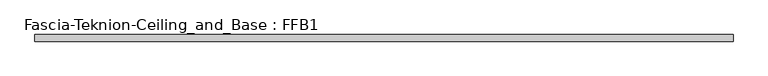
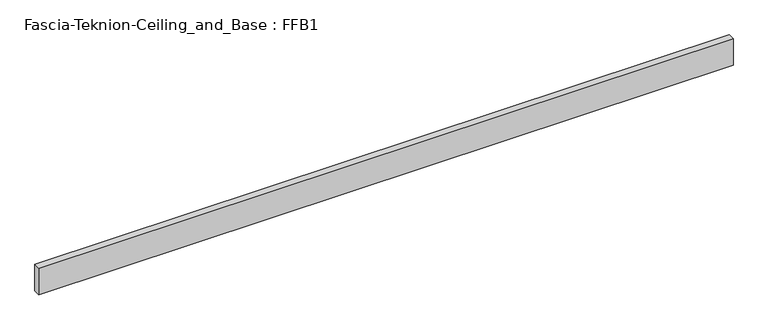
"""IFC4 building model written with IfcOpenShell, lengths in millimetres: proxy geometry, Fascia-Teknion-Ceiling_and_Base : FFB1."""

from ifc_helpers import new_model, si_unit, origin, origin_with_axes, place, context, project, spatial, polyline, outline, extrude, source, transform, mapped, element, save


def fascia_teknion_ceiling_and_base_ffb1_01755f40(model_context):
    return source(origin(), model_context, "Body", "SweptSolid", [
        extrude(outline(polyline([(1005.8356344, 0.0), (1005.8356344, -19.05), (-1005.8356344, -19.05), (-1005.8356344, 0.0), (1005.8356344, 0.0)])), origin_with_axes(), (0.0, 0.0, 1.0), 81.28),
    ])


if __name__ == "__main__":
    model = new_model("IFC4")
    model_context = context("Model", 3, world=origin())
    ifc_project = project(units=[si_unit("LENGTHUNIT", "METRE", prefix="MILLI")], contexts=[model_context])
    site = spatial("IfcSite", under=ifc_project)
    building = spatial("IfcBuilding", under=site)
    placement = place(None, origin())
    fascia_teknion_ceiling_and_base_ffb1_shape = fascia_teknion_ceiling_and_base_ffb1_01755f40(model_context)
    element("IfcBuildingElementProxy", 1, Name="Fascia-Teknion-Ceiling_and_Base : FFB1", ObjectType="Fascia-Teknion-Ceiling_and_Base : FFB1", at=placement, inside=building, context=model_context, shape_type="MappedRepresentation", body=[
        mapped(fascia_teknion_ceiling_and_base_ffb1_shape, transform((0.0, 0.0, 0.0), x_axis=(1.0, 0.0, 0.0), y_axis=(0.0, 1.0, 0.0), z_axis=(0.0, 0.0, 1.0))),
    ])
    save(model, "model.ifc")
